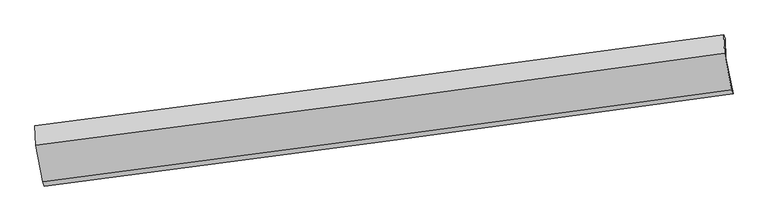
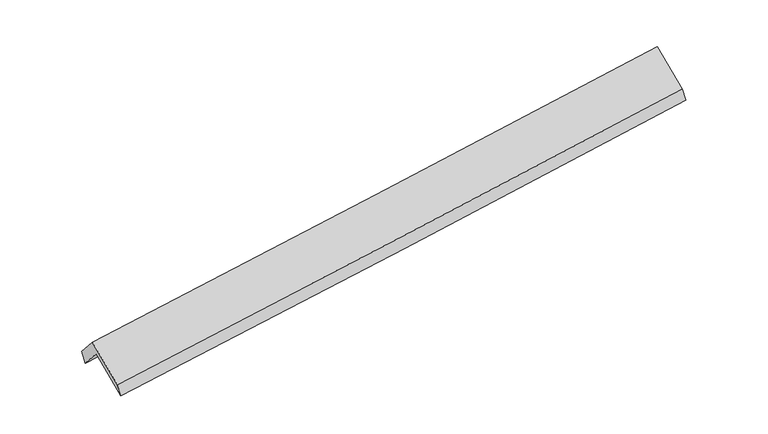
"""IFC4 building model written with IfcOpenShell, lengths in millimetres: proxy geometry."""

from ifc_helpers import new_model, si_unit, frame, origin, place, context, project, spatial, source, transform, mapped, element, save
from ifc_brep_helpers import plane_surface, spline_curve, spline_surface, advanced_brep


def generic_models_bc60acc2(model_context):
    return source(origin(), model_context, "Body", "AdvancedBrep", [
        advanced_brep(
        [(-4738.340171, -2234.9344649, 1756.6669511), (-4749.0774804, -1962.3653082, 1439.2987966), (4665.0070891, -711.1722939, 2208.5617425), (4675.2312501, -970.7150562, 2510.7625068), (-4769.7582734, -1903.1285197, 1603.1272558), (4645.8169132, -659.4119617, 2365.9186746), (-4759.2379051, -2170.1905763, 1914.0831726), (4655.8241331, -913.4476238, 2661.7072013), (-4660.9673435, -2663.0841144, 1487.4406896), (4754.0946947, -1406.341162, 2235.0647182), (-4640.6466794, -2724.9336058, 1332.5298222), (4772.9247417, -1460.714197, 2086.6253779)],
        [
            (0, 1),
            (1, 2, spline_curve(3, [(-4749.0774804, -1962.3653082, 1439.2987966), (-3174.193304086, -1758.576256428, 1558.823015724), (-1600.030764057, -1552.113671417, 1682.884179163), (1537.989320472, -1135.019303453, 1939.356122375), (3101.854969994, -924.417550026, 2071.715940718), (4665.0070891, -711.1722939, 2208.5617425)], [4, 2, 4], [0.0, 15.674096323822662, 31.259915099000985])),
            (2, 3),
            (3, 0, spline_curve(3, [(4675.2312501, -970.7150562, 2510.7625068), (3112.335463682, -1190.467378676, 2381.493261421), (1548.640863089, -1405.411263201, 2254.189239295), (-1589.207202295, -1826.872356839, 2002.80172961), (-3163.369742746, -2033.33494175, 1878.740565649), (-4738.340171, -2234.9344649, 1756.6669511)], [4, 2, 4], [0.0, 15.585818775178323, 31.259915099000985])),
            (1, 4),
            (4, 5, spline_curve(3, [(-4769.7582734, -1903.1285197, 1603.1272558), (-3195.12464562, -1698.082795721, 1723.739235007), (-1620.962105721, -1491.620210419, 1847.800398771), (1517.55766483, -1077.032109788, 2102.102947306), (3081.920187208, -868.922508677, 2232.305590347), (4645.8169132, -659.4119617, 2365.9186746)], [4, 2, 4], [0.0, 15.674063292131272, 31.259849221654882])),
            (5, 2),
            (4, 6),
            (6, 7, spline_curve(3, [(-4759.2379051, -2170.1905763, 1914.0831726), (-3184.518025423, -1967.334380549, 2037.244547343), (-1610.355485466, -1760.871795745, 2161.305710945), (1527.992266952, -1341.916969433, 2410.523827294), (3092.18373981, -1129.465236952, 2535.670673284), (4655.8241331, -913.4476238, 2661.7072013)], [4, 2, 4], [0.0, 15.674001887160554, 31.259726757550304])),
            (7, 5),
            (6, 8),
            (8, 9, spline_curve(3, [(-4660.9673435, -2663.0841144, 1487.4406896), (-3086.247463964, -2460.227918546, 1610.602064162), (-1512.084923951, -2253.765333745, 1734.663228051), (1626.262828636, -1834.810507632, 1983.881344189), (3190.454301093, -1622.358775322, 2109.028190226), (4754.0946947, -1406.341162, 2235.0647182)], [4, 2, 4], [0.0, 15.674020747563622, 31.259764372133404])),
            (9, 7),
            (8, 10),
            (10, 11, spline_curve(3, [(-4640.6466794, -2724.9336058, 1332.5298222), (-3065.676251005, -2523.334082735, 1454.603437067), (-1491.513711007, -2316.871497433, 1578.664600409), (1646.334355198, -1895.410404205, 1830.052110694), (3210.028955142, -1680.466519267, 1957.356132193), (4772.9247417, -1460.714197, 2086.6253779)], [4, 2, 4], [0.0, 15.6740632921313, 31.25984922165494])),
            (11, 9),
            (10, 0),
            (3, 11),
        ],
        [
            spline_surface(3, 3, [[(-4738.340171, -2234.9344649, 1756.6669511), (-3163.369742561, -2033.334941714, 1878.740565782), (-1589.20720252, -1826.872356763, 2002.801729357), (1548.640863313, -1405.411263276, 2254.189239546), (3112.335463636, -1190.467378671, 2381.49326123), (4675.2312501, -970.7150562, 2510.7625068)], [(-4741.919274117, -2144.078079315, 1650.877566257), (-3166.977596355, -1941.748713339, 1772.101382444), (-1592.815056314, -1735.286128389, 1896.162546019), (1545.090348948, -1315.280609958, 2149.244867077), (3108.84196576, -1101.784102513, 2278.234154342), (4671.82319645, -884.200802097, 2410.028918701)], [(-4745.498377283, -2053.221693785, 1545.088181443), (-3170.585450198, -1850.16248502, 1665.462199135), (-1596.422910058, -1643.69989997, 1789.52336271), (1541.539834632, -1225.149956594, 2044.300494636), (3105.348467832, -1013.100826364, 2174.975047451), (4668.41514275, -797.686548003, 2309.295330599)], [(-4749.0774804, -1962.3653082, 1439.2987966), (-3174.193303992, -1758.576256646, 1558.823015797), (-1600.030763851, -1552.113671595, 1682.884179372), (1537.989320267, -1135.019303275, 1939.356122166), (3101.854969956, -924.417550206, 2071.715940563), (4665.0070891, -711.1722939, 2208.5617425)]], [4, 4], [4, 2, 4], [0.0, 1.3730833704799044], [0.0, 15.674096323822662, 31.259915099000985]),
            spline_surface(3, 3, [[(-4749.0774804, -1962.3653082, 1439.2987966), (-3174.193303992, -1758.576256646, 1558.823015797), (-1600.030763851, -1552.113671595, 1682.884179372), (1537.989320267, -1135.019303275, 1939.356122166), (3101.854969956, -924.417550206, 2071.715940563), (4665.0070891, -711.1722939, 2208.5617425)], [(-4755.971078089, -1942.619712036, 1493.90828298), (-3181.170417973, -1738.411769612, 1613.795088876), (-1607.007877832, -1531.949184562, 1737.856252451), (1531.178768502, -1115.69023876, 1993.605063961), (3095.210042317, -905.919203052, 2125.245823796), (4658.610363791, -693.918849823, 2261.014053198)], [(-4762.864675711, -1922.874115864, 1548.51776942), (-3188.147531889, -1718.247282571, 1668.767162013), (-1613.984991848, -1511.784697521, 1792.828325488), (1524.368216702, -1096.361174236, 2047.854005714), (3088.565114706, -887.42085593, 2178.775707036), (4652.213638509, -676.665405777, 2313.466363902)], [(-4769.7582734, -1903.1285197, 1603.1272558), (-3195.12464587, -1698.082795538, 1723.739235092), (-1620.962105829, -1491.620210488, 1847.800398567), (1517.557664937, -1077.03210972, 2102.102947509), (3081.920187067, -868.922508776, 2232.30559027), (4645.8169132, -659.4119617, 2365.9186746)]], [4, 4], [4, 2, 4], [0.0, 0.5756055769273796], [0.0, 15.674063292131272, 31.259849221654882]),
            spline_surface(3, 3, [[(-4769.7582734, -1903.1285197, 1603.1272558), (-3195.12464587, -1698.082795538, 1723.739235092), (-1620.962105829, -1491.620210488, 1847.800398567), (1517.557664937, -1077.03210972, 2102.102947509), (3081.920187067, -868.922508776, 2232.30559027), (4645.8169132, -659.4119617, 2365.9186746)], [(-4766.251483965, -1992.149205238, 1706.779228094), (-3191.589105758, -1787.833323866, 1828.241005881), (-1617.426565717, -1581.370738815, 1952.302169356), (1521.03586562, -1165.327062992, 2204.909907429), (3085.341371261, -955.770084887, 2333.427284609), (4649.152653168, -744.090515756, 2464.51485015)], [(-4762.744694535, -2081.169890762, 1810.431200306), (-3188.053565651, -1877.583852178, 1932.742776588), (-1613.89102561, -1671.121267228, 2056.803940163), (1524.5140663, -1253.622016348, 2307.716867368), (3088.762555452, -1042.61766093, 2434.548978998), (4652.488393132, -828.769069744, 2563.11102575)], [(-4759.2379051, -2170.1905763, 1914.0831726), (-3184.518025539, -1967.334380506, 2037.244547377), (-1610.355485498, -1760.871795556, 2161.305710952), (1527.992266983, -1341.91696962, 2410.523827288), (3092.183739647, -1129.465237041, 2535.670673337), (4655.8241331, -913.4476238, 2661.7072013)]], [4, 4], [4, 2, 4], [0.0, 1.3453429025869545], [0.0, 15.674001887160554, 31.259726757550304]),
            spline_surface(3, 3, [[(-4759.2379051, -2170.1905763, 1914.0831726), (-3184.518025539, -1967.334380506, 2037.244547377), (-1610.355485498, -1760.871795556, 2161.305710952), (1527.992266983, -1341.91696962, 2410.523827288), (3092.183739647, -1129.465237041, 2535.670673337), (4655.8241331, -913.4476238, 2661.7072013)], [(-4726.481051232, -2334.488422346, 1771.869011593), (-3151.761171671, -2131.632226552, 1895.030386369), (-1577.59863163, -1925.169641602, 2019.091549944), (1560.749120851, -1506.214815666, 2268.309666281), (3124.940593515, -1293.763083087, 2393.45651233), (4688.580986968, -1077.745469846, 2519.493040293)], [(-4693.724197368, -2498.786268354, 1629.654850607), (-3119.004317807, -2295.93007256, 1752.816225384), (-1544.841777766, -2089.46748761, 1876.877388959), (1593.505974715, -1670.512661674, 2126.095505296), (3157.697447379, -1458.060929195, 2251.242351245), (4721.337840832, -1242.043315954, 2377.278879207)], [(-4660.9673435, -2663.0841144, 1487.4406896), (-3086.247463939, -2460.227918606, 1610.602064377), (-1512.084923898, -2253.765333656, 1734.663227952), (1626.262828583, -1834.81050772, 1983.881344288), (3190.454301247, -1622.358775241, 2109.028190237), (4754.0946947, -1406.341162, 2235.0647182)]], [4, 4], [4, 2, 4], [0.0, 2.162929504908117], [0.0, 15.674020747563622, 31.259764372133404]),
            spline_surface(3, 3, [[(-4660.9673435, -2663.0841144, 1487.4406896), (-3086.247463939, -2460.227918606, 1610.602064377), (-1512.084923898, -2253.765333656, 1734.663227952), (1626.262828583, -1834.81050772, 1983.881344288), (3190.454301247, -1622.358775241, 2109.028190237), (4754.0946947, -1406.341162, 2235.0647182)], [(-4654.193788778, -2683.700611512, 1435.803733803), (-3079.390392925, -2481.263306588, 1558.602521882), (-1505.227852884, -2274.800721637, 1682.663685457), (1632.953337381, -1855.010473185, 1932.604933078), (3196.979185918, -1641.728023343, 2058.470837587), (4760.371377042, -1424.465507025, 2185.584938086)], [(-4647.420234122, -2704.317108688, 1384.166777997), (-3072.533321975, -2502.298694632, 1506.602979377), (-1498.370781834, -2295.836109582, 1630.664142952), (1639.643846215, -1875.210438612, 1881.328521857), (3203.504070564, -1661.097271369, 2007.91348498), (4766.648059358, -1442.589851975, 2136.105158014)], [(-4640.6466794, -2724.9336058, 1332.5298222), (-3065.676250961, -2523.334082614, 1454.603436882), (-1491.51371082, -2316.871497563, 1578.664600457), (1646.334355013, -1895.410404076, 1830.052110646), (3210.028955236, -1680.466519471, 1957.35613233), (4772.9247417, -1460.714197, 2086.6253779)]], [4, 4], [4, 2, 4], [0.0, 0.5513363387392168], [0.0, 15.6740632921313, 31.25984922165494]),
            spline_surface(3, 3, [[(-4640.6466794, -2724.9336058, 1332.5298222), (-3065.676250961, -2523.334082614, 1454.603436882), (-1491.51371082, -2316.871497563, 1578.664600457), (1646.334355013, -1895.410404076, 1830.052110646), (3210.028955236, -1680.466519471, 1957.35613233), (4772.9247417, -1460.714197, 2086.6253779)], [(-4673.211176619, -2561.600558852, 1473.908865173), (-3098.24074818, -2360.001035666, 1595.982479855), (-1524.078208039, -2153.538450616, 1720.04364343), (1613.769857794, -1732.077357128, 1971.431153619), (3177.464458017, -1517.133472523, 2098.735175303), (4740.360244481, -1297.381150052, 2228.004420873)], [(-4705.775673781, -2398.267511848, 1615.287908127), (-3130.805245342, -2196.667988661, 1737.36152281), (-1556.642705301, -1990.205403711, 1861.422686384), (1581.205360532, -1568.744310224, 2112.810196573), (3144.899960855, -1353.800425618, 2240.114218257), (4707.795747319, -1134.048103148, 2369.383463827)], [(-4738.340171, -2234.9344649, 1756.6669511), (-3163.369742561, -2033.334941714, 1878.740565782), (-1589.20720252, -1826.872356763, 2002.801729357), (1548.640863313, -1405.411263276, 2254.189239546), (3112.335463636, -1190.467378671, 2381.49326123), (4675.2312501, -970.7150562, 2510.7625068)]], [4, 4], [4, 2, 4], [0.0, 2.1502282280101936], [0.0, 15.67411519901116, 31.259952743071672]),
            plane_surface(frame((4694.8164703, -1020.3003824, 2344.7733702), z_axis=(0.988494968247288, 0.12964812793004768, 0.07790417622969459), x_axis=(0.11827780062602462, -0.3415351535388566, -0.932396965233296))),
            plane_surface(frame((-4719.6713088, -2276.4394315, 1588.8577813), z_axis=(-0.9884949682472816, -0.1296481279302103, -0.07790417622950527), x_axis=(0.1490617138865877, -0.74764562610519, -0.6471527047142517))),
        ],
        [
            (0, [[1, 2, 3, 4]]),
            (1, [[5, 6, 7, -2]]),
            (2, [[8, 9, 10, -6]]),
            (3, [[11, 12, 13, -9]]),
            (4, [[14, 15, 16, -12]]),
            (5, [[17, -4, 18, -15]]),
            (6, [[-16, -18, -3, -7, -10, -13]]),
            (7, [[-17, -14, -11, -8, -5, -1]]),
        ],
    ),
    ])


if __name__ == "__main__":
    model = new_model("IFC4")
    model_context = context("Model", 3, world=origin())
    ifc_project = project(units=[si_unit("LENGTHUNIT", "METRE", prefix="MILLI")], contexts=[model_context])
    site = spatial("IfcSite", under=ifc_project)
    building = spatial("IfcBuilding", under=site)
    placement = place(None, origin())
    generic_models_shape = generic_models_bc60acc2(model_context)
    element("IfcBuildingElementProxy", 1, Name="Generic Models", at=placement, inside=building, context=model_context, shape_type="MappedRepresentation", body=[
        mapped(generic_models_shape, transform((0.0, 0.0, 0.0), x_axis=(1.0, 0.0, 0.0), y_axis=(0.0, 1.0, 0.0), z_axis=(0.0, 0.0, 1.0))),
    ])
    save(model, "model.ifc")
